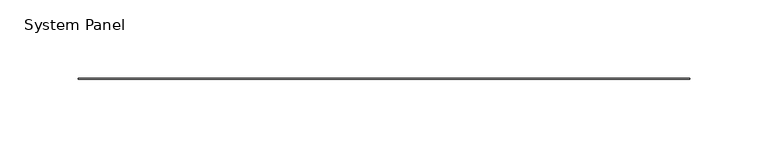
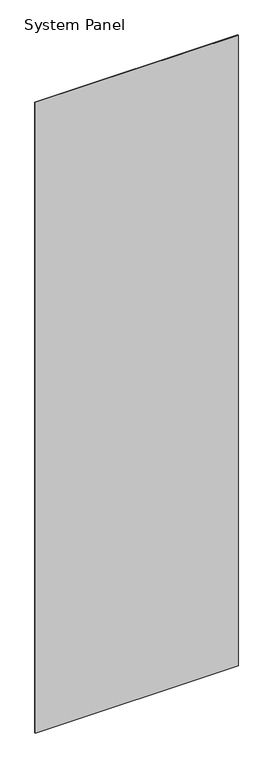
"""IFC4 building model written with IfcOpenShell, lengths in millimetres: plate geometry, System Panel."""

from ifc_helpers import new_model, si_unit, origin, origin_with_axes, place, context, project, spatial, polyline, outline, extrude, source, transform, mapped, element, save


def system_panel_b12b8454(model_context):
    return source(origin(), model_context, "Body", "SweptSolid", [
        extrude(outline(polyline([(195.58, -0.396875), (-195.58, -0.396875), (-195.58, 0.396875), (195.58, 0.396875), (195.58, -0.396875)])), origin_with_axes(), (0.0, 0.0, 1.0), 1285.875),
    ])


if __name__ == "__main__":
    model = new_model("IFC4")
    model_context = context("Model", 3, world=origin())
    ifc_project = project(units=[si_unit("LENGTHUNIT", "METRE", prefix="MILLI")], contexts=[model_context])
    site = spatial("IfcSite", under=ifc_project)
    building = spatial("IfcBuilding", under=site)
    placement = place(None, origin())
    system_panel_shape = system_panel_b12b8454(model_context)
    element("IfcPlate", 1, ObjectType="System Panel", at=placement, inside=building, context=model_context, shape_type="MappedRepresentation", body=[
        mapped(system_panel_shape, transform((0.0, 0.0, 0.0), x_axis=(1.0, 0.0, 0.0), y_axis=(0.0, 1.0, 0.0), z_axis=(0.0, 0.0, 1.0))),
    ])
    save(model, "model.ifc")
